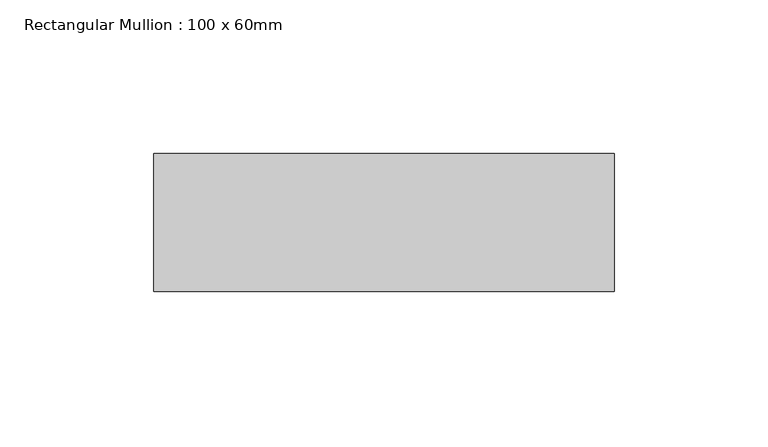
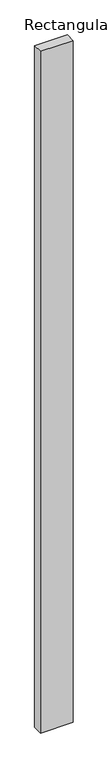
"""IFC4 building model written with IfcOpenShell, lengths in millimetres: member geometry, Rectangular Mullion : 100 x 60mm."""

from ifc_helpers import new_model, si_unit, frame, origin, place, context, project, spatial, polyline, outline, extrude, source, transform, mapped, element, save


def rectangular_mullion_100_x_60mm_2ad8766a(model_context):
    return source(origin(), model_context, "Body", "SweptSolid", [
        extrude(outline(polyline([(0.0, -30.0), (-150.0, -30.0), (-150.0, 15.0), (0.0, 15.0), (0.0, -30.0)])), frame((0.0, 0.0, -3312.8837773), z_axis=(0.0, 0.0, 1.0), x_axis=(1.0, 0.0, 0.0)), (0.0, 0.0, 1.0), 3312.8837773),
    ])


if __name__ == "__main__":
    model = new_model("IFC4")
    model_context = context("Model", 3, world=origin())
    ifc_project = project(units=[si_unit("LENGTHUNIT", "METRE", prefix="MILLI")], contexts=[model_context])
    site = spatial("IfcSite", under=ifc_project)
    building = spatial("IfcBuilding", under=site)
    placement = place(None, origin())
    rectangular_mullion_100_x_60mm_shape = rectangular_mullion_100_x_60mm_2ad8766a(model_context)
    element("IfcMember", 1, ObjectType="Rectangular Mullion : 100 x 60mm", at=placement, inside=building, context=model_context, shape_type="MappedRepresentation", body=[
        mapped(rectangular_mullion_100_x_60mm_shape, transform((0.0, 0.0, 0.0), x_axis=(1.0, 0.0, 0.0), y_axis=(0.0, 1.0, 0.0), z_axis=(0.0, 0.0, 1.0))),
    ])
    save(model, "model.ifc")
